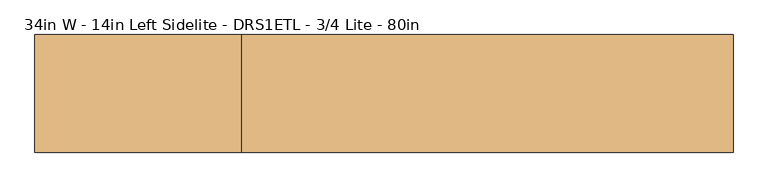
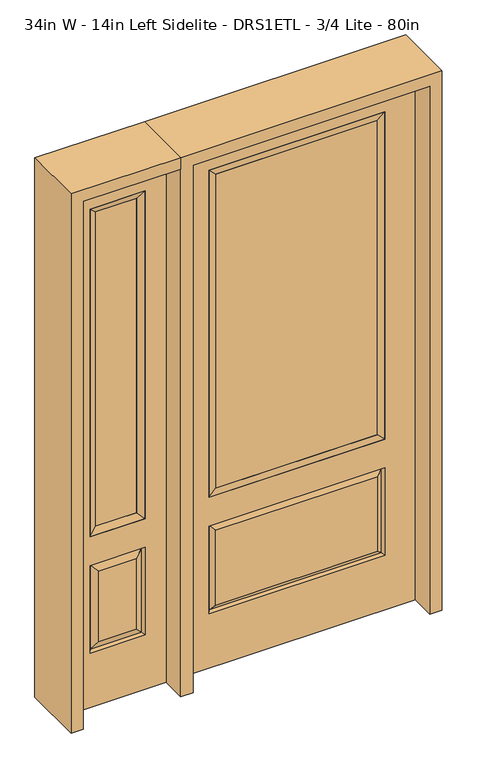
"""IFC4 building model written with IfcOpenShell, lengths in millimetres: door geometry, 34in W - 14in Left Sidelite - DRS1ETL - 3/4 Lite - 80in."""

from ifc_helpers import new_model, si_unit, frame, origin, place, context, project, spatial, polyline, outline, extrude, faceted_brep, source, transform, mapped, element, save


def door_34in_w_14in_left_sidelite_drs1etl_3_4_lite_80in_abe314d8(model_context):
    return source(origin(), model_context, "Body", "SolidModel", [
        faceted_brep([(-831.85, -22.225, 0.0), (-476.25, -22.225, 0.0), (-476.25, -22.225, 2032.0), (-831.85, -22.225, 2032.0), (-553.72, -22.225, 1919.224), (-553.72, -22.225, 657.098), (-754.38, -22.225, 657.098), (-754.38, -22.225, 1919.224), (-553.72, -22.225, 209.55), (-754.38, -22.225, 209.55), (-754.38, -22.225, 546.1), (-553.72, -22.225, 546.1), (-722.6648999, -22.225, 241.2651001), (-585.4351001, -22.225, 241.2651001), (-585.4351001, -22.225, 514.3848999), (-722.6648999, -22.225, 514.3848999), (-831.85, 22.225, 0.0), (-831.85, 22.225, 2032.0), (-476.25, 22.225, 2032.0), (-476.25, 22.225, 0.0), (-553.72, 22.225, 1919.224), (-754.38, 22.225, 1919.224), (-754.38, 22.225, 657.098), (-553.72, 22.225, 657.098), (-754.38, 22.225, 209.55), (-553.72, 22.225, 209.55), (-553.72, 22.225, 546.1), (-754.38, 22.225, 546.1), (-585.4351001, 22.225, 241.2651001), (-722.6648999, 22.225, 241.2651001), (-722.6648999, 22.225, 514.3848999), (-585.4351001, 22.225, 514.3848999), (-560.8288501, 12.7912373, 216.6588501), (-747.2711499, 12.7912373, 216.6588501), (-747.2711499, 12.7912373, 538.9911499), (-560.8288501, 12.7912373, 538.9911499), (-747.2711499, -12.7912373, 216.6588501), (-560.8288501, -12.7912373, 216.6588501), (-747.2711499, -12.7912373, 538.9911499), (-560.8288501, -12.7912373, 538.9911499)], [[[0, 1, 2, 3], [4, 5, 6, 7], [8, 9, 10, 11]], [[12, 13, 14, 15]], [[16, 17, 18, 19], [20, 21, 22, 23], [24, 25, 26, 27]], [[28, 29, 30, 31]], [[1, 0, 16, 19]], [[2, 1, 19, 18]], [[3, 2, 18, 17]], [[0, 3, 17, 16]], [[5, 4, 20, 23]], [[6, 5, 23, 22]], [[7, 6, 22, 21]], [[4, 7, 21, 20]], [[32, 33, 29, 28]], [[33, 32, 25, 24]], [[29, 33, 34, 30]], [[33, 24, 27, 34]], [[30, 34, 35, 31]], [[34, 27, 26, 35]], [[32, 28, 31, 35]], [[25, 32, 35, 26]], [[12, 36, 37, 13]], [[37, 36, 9, 8]], [[36, 12, 15, 38]], [[9, 36, 38, 10]], [[38, 15, 14, 39]], [[10, 38, 39, 11]], [[13, 37, 39, 14]], [[37, 8, 11, 39]]]),
        faceted_brep([(-754.38, 22.225, 1919.224), (-754.38, -22.225, 1919.224), (-553.72, -22.225, 1919.224), (-553.72, 22.225, 1919.224), (-728.98, 12.7, 1893.824), (-579.12, 12.7, 1893.824), (-728.98, -12.7, 1893.824), (-579.12, -12.7, 1893.824), (-553.72, -22.225, 657.098), (-553.72, 22.225, 657.098), (-579.12, 12.7, 682.498), (-579.12, -12.7, 682.498), (-754.38, -22.225, 657.098), (-754.38, 22.225, 657.098), (-728.98, 12.7, 682.498), (-728.98, -12.7, 682.498)], [[[0, 1, 2, 3]], [[4, 0, 3, 5]], [[6, 4, 5, 7]], [[1, 6, 7, 2]], [[3, 2, 8, 9]], [[5, 3, 9, 10]], [[7, 5, 10, 11]], [[2, 7, 11, 8]], [[9, 8, 12, 13]], [[10, 9, 13, 14]], [[11, 10, 14, 15]], [[8, 11, 15, 12]], [[13, 12, 1, 0]], [[14, 13, 0, 4]], [[15, 14, 4, 6]], [[12, 15, 6, 1]]]),
        extrude(outline(polyline([(-579.12, -12.7), (-728.98, -12.7), (-728.98, 12.7), (-579.12, 12.7), (-579.12, -12.7)])), frame((0.0, 0.0, 682.498), z_axis=(0.0, 0.0, 1.0), x_axis=(1.0, 0.0, 0.0)), (0.0, 0.0, 1.0), 1211.326),
        faceted_brep([(-313.5661499, -12.7912373, 216.6588501), (313.5661499, -12.7912373, 216.6588501), (296.06875, -22.225, 234.15625), (-296.06875, -22.225, 234.15625), (-320.675, -22.225, 209.55), (320.675, -22.225, 209.55), (-313.5661499, -12.7912373, 538.9911499), (-320.675, -22.225, 546.1), (296.06875, -22.225, 521.49375), (-296.06875, -22.225, 521.49375), (431.8, -22.225, 2032.0), (-431.8, -22.225, 2032.0), (-431.8, -22.225, 0.0), (431.8, -22.225, 0.0), (320.675, -22.225, 546.1), (320.675, -22.225, 1917.7), (320.675, -22.225, 657.098), (-320.675, -22.225, 657.098), (-320.675, -22.225, 1917.7), (313.5661499, -12.7912373, 538.9911499), (-431.8, 22.225, 2032.0), (-431.8, 22.225, 0.0), (431.8, 22.225, 0.0), (431.8, 22.225, 2032.0), (320.675, 22.225, 1917.7), (320.675, 22.225, 657.098), (-320.675, 22.225, 657.098), (-320.675, 22.225, 1917.7), (-320.675, 22.225, 209.55), (320.675, 22.225, 209.55), (320.675, 22.225, 546.1), (-320.675, 22.225, 546.1), (296.06875, 22.225, 234.15625), (-296.06875, 22.225, 234.15625), (-296.06875, 22.225, 521.49375), (296.06875, 22.225, 521.49375), (-313.5661499, 12.7912373, 216.6588501), (313.5661499, 12.7912373, 216.6588501), (313.5661499, 12.7912373, 538.9911499), (-313.5661499, 12.7912373, 538.9911499)], [[[0, 1, 2, 3]], [[1, 0, 4, 5]], [[4, 0, 6, 7]], [[3, 2, 8, 9]], [[10, 11, 12, 13], [5, 4, 7, 14], [15, 16, 17, 18]], [[1, 5, 14, 19]], [[2, 1, 19, 8]], [[0, 3, 9, 6]], [[7, 6, 19, 14]], [[6, 9, 8, 19]], [[12, 11, 20, 21]], [[13, 12, 21, 22]], [[10, 13, 22, 23]], [[16, 15, 24, 25]], [[17, 16, 25, 26]], [[18, 17, 26, 27]], [[23, 22, 21, 20], [28, 29, 30, 31], [24, 27, 26, 25]], [[32, 33, 34, 35]], [[28, 36, 37, 29]], [[29, 37, 38, 30]], [[39, 31, 30, 38]], [[36, 28, 31, 39]], [[37, 36, 33, 32]], [[33, 36, 39, 34]], [[34, 39, 38, 35]], [[37, 32, 35, 38]], [[11, 10, 23, 20]], [[15, 18, 27, 24]]]),
        faceted_brep([(-320.675, -22.225, 1917.7), (-320.675, 22.225, 1917.7), (-320.675, 22.225, 657.098), (-320.675, -22.225, 657.098), (320.675, 22.225, 657.098), (320.675, -22.225, 657.098), (-295.275, 5.08, 682.498), (295.275, 5.08, 682.498), (320.675, 22.225, 1917.7), (320.675, -22.225, 1917.7), (-295.275, -20.32, 682.498), (295.275, -20.32, 682.498), (-295.275, -20.32, 1892.3), (295.275, -20.32, 1892.3), (-295.275, 5.08, 1892.3), (295.275, 5.08, 1892.3)], [[[0, 1, 2, 3]], [[3, 2, 4, 5]], [[2, 6, 7, 4]], [[5, 4, 8, 9]], [[10, 3, 5, 11]], [[12, 0, 3, 10]], [[11, 5, 9, 13]], [[6, 10, 11, 7]], [[14, 12, 10, 6]], [[7, 11, 13, 15]], [[1, 14, 6, 2]], [[4, 7, 15, 8]], [[9, 8, 1, 0]], [[13, 9, 0, 12]], [[15, 13, 12, 14]], [[8, 15, 14, 1]]]),
        extrude(outline(polyline([(295.275, -20.32), (-295.275, -20.32), (-295.275, 5.08), (295.275, 5.08), (295.275, -20.32)])), frame((0.0, 0.0, 682.498), z_axis=(0.0, 0.0, 1.0), x_axis=(1.0, 0.0, 0.0)), (0.0, 0.0, 1.0), 1209.802),
        extrude(outline(polyline([(2032.0, -476.25), (2076.45, -476.25), (2076.45, -876.3), (0.0, -876.3), (0.0, -831.85), (2032.0, -831.85), (2032.0, -476.25)])), frame((0.0, -114.3, 0.0), z_axis=(0.0, 1.0, 0.0), x_axis=(0.0, 0.0, 1.0)), (0.0, 0.0, 1.0), 228.6),
        extrude(outline(polyline([(2076.45, -476.25), (0.0, -476.25), (0.0, -431.8), (2032.0, -431.8), (2032.0, 431.8), (0.0, 431.8), (0.0, 476.25), (2076.45, 476.25), (2076.45, -476.25)])), frame((0.0, -114.3, 0.0), z_axis=(0.0, 1.0, 0.0), x_axis=(0.0, 0.0, 1.0)), (0.0, 0.0, 1.0), 228.6),
    ])


if __name__ == "__main__":
    model = new_model("IFC4")
    model_context = context("Model", 3, world=origin())
    ifc_project = project(units=[si_unit("LENGTHUNIT", "METRE", prefix="MILLI")], contexts=[model_context])
    site = spatial("IfcSite", under=ifc_project)
    building = spatial("IfcBuilding", under=site)
    placement = place(None, origin())
    door_34in_w_14in_left_sidelite_drs1etl_3_4_lite_80in_shape = door_34in_w_14in_left_sidelite_drs1etl_3_4_lite_80in_abe314d8(model_context)
    element("IfcDoor", 1, ObjectType="34in W - 14in Left Sidelite - DRS1ETL - 3/4 Lite - 80in", at=placement, inside=building, context=model_context, shape_type="MappedRepresentation", body=[
        mapped(door_34in_w_14in_left_sidelite_drs1etl_3_4_lite_80in_shape, transform((0.0, 0.0, 0.0), x_axis=(1.0, 0.0, 0.0), y_axis=(0.0, 1.0, 0.0), z_axis=(0.0, 0.0, 1.0))),
    ])
    save(model, "model.ifc")
